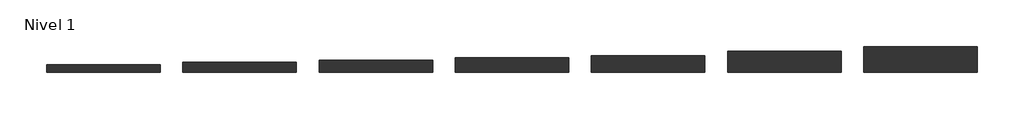
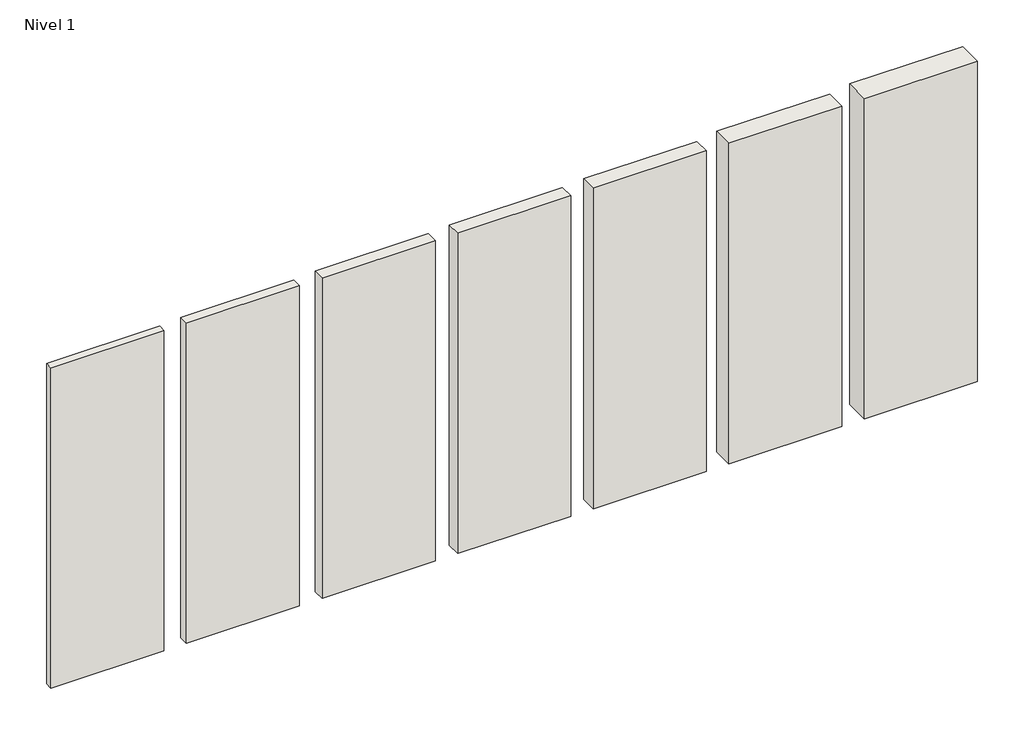
# One storey: 7 walls.
"""IFC4 building model written with IfcOpenShell, lengths in millimetres."""

import ifcopenshell
import ifcopenshell.guid

model = None  # the IFC model being written
_history = None  # IfcOwnerHistory: only IFC2X3 demands one
_inside = {}  # id of a spatial element -> (the spatial element, [elements in it])
_under = {}  # id of a project, library or spatial element -> (it, [spatial elements below it])
_declared = {}  # id of a project -> (the project, [libraries it declares])
_typed = {}  # id of a type object -> (the type object, [elements of that type])
_made_of = {}  # id of a material, layer set ... -> (it, [elements and type objects made of it])


def new_model(schema):
    """Start an empty IFC model of exactly this schema.

    Asked for "IFC4X3", IfcOpenShell would pick the latest addendum, in which some entities
    have other attributes; the version numbers below select the first issue.
    IFC2X3 requires an IfcOwnerHistory on every rooted entity: one is made here for all.
    """
    global model, _history
    if schema == "IFC4X3":
        model = ifcopenshell.file(schema_version=(4, 3, 0, 0))
    else:
        model = ifcopenshell.file(schema=schema)
    _inside.clear()
    _under.clear()
    _declared.clear()
    _typed.clear()
    _made_of.clear()
    _history = None
    if model.schema == "IFC2X3":
        org = make("IfcOrganization", Name="unknown")
        user = make(
            "IfcPersonAndOrganization",
            ThePerson=make("IfcPerson", FamilyName="unknown"),
            TheOrganization=org,
        )
        app = make(
            "IfcApplication",
            ApplicationDeveloper=org,
            Version="unknown",
            ApplicationFullName="unknown",
            ApplicationIdentifier="unknown",
        )
        _history = make(
            "IfcOwnerHistory",
            OwningUser=user,
            OwningApplication=app,
            ChangeAction="ADDED",
            CreationDate=0,
        )
    return model


def make(cls, **values):
    """One entity of the class cls with the attributes given. An attribute that is None is left unset."""
    return model.create_entity(
        cls, **{name: value for name, value in values.items() if value is not None}
    )


def rooted(cls, **values):
    """An entity with a GlobalId (a new one), such as an element, a storey or a relation."""
    return make(cls, GlobalId=ifcopenshell.guid.new(), OwnerHistory=_history, **values)


def si_unit(unit_type, name, prefix=None):
    """IfcSIUnit, for example si_unit("LENGTHUNIT", "METRE", prefix="MILLI")."""
    return make("IfcSIUnit", UnitType=unit_type, Prefix=prefix, Name=name)


def assignment(units):
    """IfcUnitAssignment: the units of a project."""
    return None if units is None else make("IfcUnitAssignment", Units=units)


def point(xyz):
    """IfcCartesianPoint."""
    return None if xyz is None else make("IfcCartesianPoint", Coordinates=xyz)


def direction(xyz):
    """IfcDirection."""
    return None if xyz is None else make("IfcDirection", DirectionRatios=xyz)


def frame(location, z_axis=None, x_axis=None):
    """IfcAxis2Placement3D, a coordinate frame: its origin and axes. An axis left out is left unset."""
    return make(
        "IfcAxis2Placement3D",
        Location=point(location),
        Axis=direction(z_axis),
        RefDirection=direction(x_axis),
    )


def origin():
    """The frame at (0, 0, 0) with its axes left unset."""
    return frame((0.0, 0.0, 0.0))


def origin_with_axes():
    """The frame at (0, 0, 0) with the z axis (0, 0, 1) and the x axis (1, 0, 0) written out."""
    return frame((0.0, 0.0, 0.0), z_axis=(0.0, 0.0, 1.0), x_axis=(1.0, 0.0, 0.0))


def place(relative_to, where):
    """IfcLocalPlacement: puts the frame where relative to a parent placement (None: the world)."""
    return make(
        "IfcLocalPlacement", PlacementRelTo=relative_to, RelativePlacement=where
    )


def context(
    kind, dimensions, precision=None, world=None, true_north=None, identifier=None
):
    """IfcGeometricRepresentationContext, for example the 3D "Model" context."""
    return make(
        "IfcGeometricRepresentationContext",
        ContextIdentifier=identifier,
        ContextType=kind,
        CoordinateSpaceDimension=dimensions,
        Precision=precision,
        WorldCoordinateSystem=world,
        TrueNorth=true_north,
    )


def project(units=None, contexts=None):
    """IfcProject with its units and contexts."""
    return rooted(
        "IfcProject",
        Name="project",
        RepresentationContexts=contexts,
        UnitsInContext=assignment(units),
    )


def spatial(cls, under=None, at=None, **own):
    """A site, building, storey or space (cls), placed at a placement, below another one or the project."""
    s = rooted(cls, ObjectPlacement=at, **own)
    if under is not None:
        _under.setdefault(under.id(), (under, []))[1].append(s)
    return s


def polyline(points):
    """IfcPolyline through the points."""
    return make("IfcPolyline", Points=[point(p) for p in points])


def outline(outer, holes=None, kind="AREA"):
    """IfcArbitraryClosedProfileDef: a profile drawn as a closed curve; with holes, ...WithVoids."""
    if holes is None:
        return make("IfcArbitraryClosedProfileDef", ProfileType=kind, OuterCurve=outer)
    return make(
        "IfcArbitraryProfileDefWithVoids",
        ProfileType=kind,
        OuterCurve=outer,
        InnerCurves=holes,
    )


def extrude(swept, where, along, depth):
    """IfcExtrudedAreaSolid: the profile swept, set in the frame where, extruded along a direction by depth."""
    return make(
        "IfcExtrudedAreaSolid",
        SweptArea=swept,
        Position=where,
        ExtrudedDirection=direction(along),
        Depth=depth,
    )


def shape(context_of_items, identifier, shape_type, items):
    """IfcShapeRepresentation: the items that make up one representation, for example the "Body"."""
    return make(
        "IfcShapeRepresentation",
        ContextOfItems=context_of_items,
        RepresentationIdentifier=identifier,
        RepresentationType=shape_type,
        Items=items,
    )


def made_of(thing, what):
    """Note that an element or type object is made of a material, layer set ...; save() writes the relation."""
    if what is not None:
        _made_of.setdefault(what.id(), (what, []))[1].append(thing)
    return thing


def element(
    cls,
    number,
    at=None,
    inside=None,
    cuts=None,
    type_object=None,
    material=None,
    context=None,
    identifier="Body",
    shape_type=None,
    held_by="IfcProductDefinitionShape",
    body=None,
    shapes=None,
    **own,
):
    """One element of the class cls, such as IfcWall. Its Tag is "e" and its number.

    at: its placement. inside: the storey or other place that contains it. cuts: it is an
    opening in that element (IfcRelVoidsElement). A single representation is given by context,
    identifier, shape_type and body (its items); several are given by shapes. held_by: the class
    of the entity that holds the representations. save() writes the other relations.
    """
    e = rooted(cls, Tag="e%d" % number, ObjectPlacement=at, **own)
    if body is not None:
        shapes = [shape(context, identifier, shape_type, body)]
    if shapes is not None:
        e.Representation = make(held_by, Representations=shapes)
    if inside is not None:
        _inside.setdefault(inside.id(), (inside, []))[1].append(e)
    if cuts is not None:
        rooted(
            "IfcRelVoidsElement", RelatingBuildingElement=cuts, RelatedOpeningElement=e
        )
    if type_object is not None:
        _typed.setdefault(type_object.id(), (type_object, []))[1].append(e)
    return made_of(e, material)


def aggregate(whole, parts):
    """IfcRelAggregates: a whole, such as a stair, and the parts it consists of."""
    return rooted("IfcRelAggregates", RelatingObject=whole, RelatedObjects=parts)


def save(model, path):
    """Write the relations noted so far, then the file.

    IfcRelAggregates (storeys below a building ...), IfcRelContainedInSpatialStructure (elements
    in a storey), IfcRelDefinesByType, IfcRelAssociatesMaterial and IfcRelDeclares: one each for
    every whole, place, type object, material and project.
    """
    for whole, parts in _under.values():
        aggregate(whole, parts)
    for where, things in _inside.values():
        rooted(
            "IfcRelContainedInSpatialStructure",
            RelatedElements=things,
            RelatingStructure=where,
        )
    for kind, things in _typed.values():
        rooted("IfcRelDefinesByType", RelatedObjects=things, RelatingType=kind)
    for what, things in _made_of.values():
        rooted("IfcRelAssociatesMaterial", RelatedObjects=things, RelatingMaterial=what)
    for by, libraries in _declared.values():
        rooted("IfcRelDeclares", RelatingContext=by, RelatedDefinitions=libraries)
    model.write(path)


model = new_model("IFC4")

# Units and contexts
model_context = context("Model", 3, world=origin())
ifc_project = project(units=[si_unit("LENGTHUNIT", "METRE", prefix="MILLI")], contexts=[model_context])

# Site, building, storey
site = spatial("IfcSite", under=ifc_project)
building = spatial("IfcBuilding", under=site)
storey = spatial("IfcBuildingStorey", under=building, Name="Nivel 1", Elevation=0.0)

# Walls
placement = place(None, origin())
element("IfcWall", 1, at=placement, inside=storey, context=model_context, shape_type="SweptSolid", body=[
    extrude(outline(polyline([(1084.4345966, -810.4108764), (84.4345966, -810.4108764), (84.4345966, -725.4108764), (1084.4345966, -725.4108764), (1084.4345966, -810.4108764)])), origin_with_axes(), (0.0, 0.0, 1.0), 3000.0),
])
element("IfcWall", 2, at=placement, inside=storey, context=model_context, shape_type="SweptSolid", body=[
    extrude(outline(polyline([(2284.4345966, -810.4108764), (1284.4345966, -810.4108764), (1284.4345966, -705.4108764), (2284.4345966, -705.4108764), (2284.4345966, -810.4108764)])), origin_with_axes(), (0.0, 0.0, 1.0), 3000.0),
])
element("IfcWall", 3, at=placement, inside=storey, context=model_context, shape_type="SweptSolid", body=[
    extrude(outline(polyline([(3484.4345966, -810.4108764), (2484.4345966, -810.4108764), (2484.4345966, -685.4108764), (3484.4345966, -685.4108764), (3484.4345966, -810.4108764)])), origin_with_axes(), (0.0, 0.0, 1.0), 3000.0),
])
element("IfcWall", 4, at=placement, inside=storey, context=model_context, shape_type="SweptSolid", body=[
    extrude(outline(polyline([(4684.4345966, -810.4108764), (3684.4345966, -810.4108764), (3684.4345966, -665.4108764), (4684.4345966, -665.4108764), (4684.4345966, -810.4108764)])), origin_with_axes(), (0.0, 0.0, 1.0), 3000.0),
])
element("IfcWall", 5, at=placement, inside=storey, context=model_context, shape_type="SweptSolid", body=[
    extrude(outline(polyline([(5884.4345966, -810.4108764), (4884.4345966, -810.4108764), (4884.4345966, -625.4108764), (5884.4345966, -625.4108764), (5884.4345966, -810.4108764)])), origin_with_axes(), (0.0, 0.0, 1.0), 3000.0),
])
element("IfcWall", 6, at=placement, inside=storey, context=model_context, shape_type="SweptSolid", body=[
    extrude(outline(polyline([(7084.4345966, -810.4108764), (6084.4345966, -810.4108764), (6084.4345966, -585.4108764), (7084.4345966, -585.4108764), (7084.4345966, -810.4108764)])), origin_with_axes(), (0.0, 0.0, 1.0), 3000.0),
])
element("IfcWall", 7, at=placement, inside=storey, context=model_context, shape_type="SweptSolid", body=[
    extrude(outline(polyline([(-115.5654034, -810.4108764), (-1115.5654034, -810.4108764), (-1115.5654034, -745.4108764), (-115.5654034, -745.4108764), (-115.5654034, -810.4108764)])), origin_with_axes(), (0.0, 0.0, 1.0), 3000.0),
])

save(model, "model.ifc")
